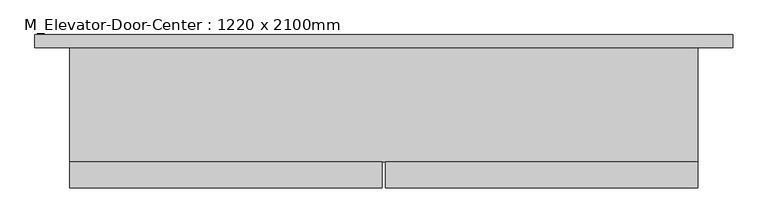
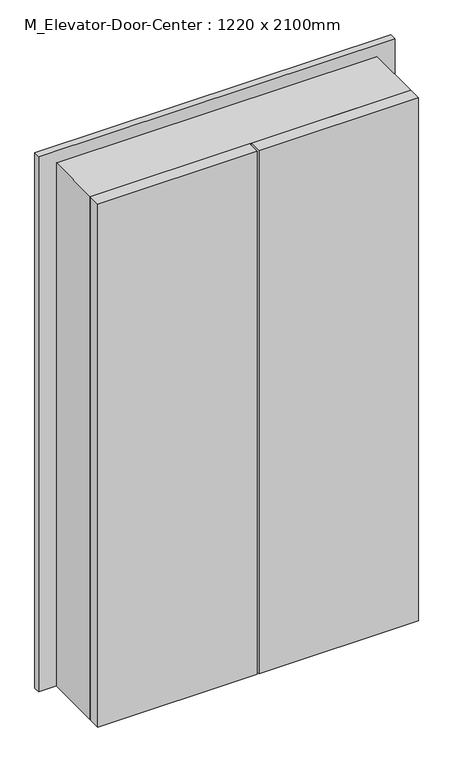
"""IFC4 building model written with IfcOpenShell, lengths in millimetres: proxy geometry, M_Elevator-Door-Center : 1220 x 2100mm."""

from ifc_helpers import new_model, si_unit, frame, origin, origin_with_axes, place, context, project, spatial, polyline, outline, extrude, source, transform, mapped, element, save


def m_elevator_door_center_1220_x_2100mm_93f20b08(model_context):
    return source(origin(), model_context, "Body", "SweptSolid", [
        extrude(outline(polyline([(-102.3106443, -112.5), (-102.3106443, -163.3), (-715.4856443, -163.3), (-715.4856443, -112.5), (-102.3106443, -112.5)])), origin_with_axes(), (0.0, 0.0, 1.0), 2125.4),
        extrude(outline(polyline([(517.2143557, -112.5), (517.2143557, -163.3), (-95.9606443, -163.3), (-95.9606443, -112.5), (517.2143557, -112.5)])), origin_with_axes(), (0.0, 0.0, 1.0), 2125.4),
        extrude(outline(polyline([(0.0, -715.4856443), (0.0, -709.1356443), (2100.0, -709.1356443), (2100.0, 510.8643557), (0.0, 510.8643557), (0.0, 517.2143557), (2125.4, 517.2143557), (2125.4, -715.4856443), (0.0, -715.4856443)])), frame((0.0, -112.5, 0.0), z_axis=(0.0, 1.0, 0.0), x_axis=(0.0, 0.0, 1.0)), (0.0, 0.0, 1.0), 225.0),
        extrude(outline(polyline([(0.0, -784.1356443), (0.0, -709.1356443), (2100.0, -709.1356443), (2100.0, 510.8643557), (0.0, 510.8643557), (0.0, 585.8643557), (2175.0, 585.8643557), (2175.0, -784.1356443), (0.0, -784.1356443)])), frame((0.0, 112.5, 0.0), z_axis=(0.0, 1.0, 0.0), x_axis=(0.0, 0.0, 1.0)), (0.0, 0.0, 1.0), 25.0),
    ])


if __name__ == "__main__":
    model = new_model("IFC4")
    model_context = context("Model", 3, world=origin())
    ifc_project = project(units=[si_unit("LENGTHUNIT", "METRE", prefix="MILLI")], contexts=[model_context])
    site = spatial("IfcSite", under=ifc_project)
    building = spatial("IfcBuilding", under=site)
    placement = place(None, origin())
    m_elevator_door_center_1220_x_2100mm_shape = m_elevator_door_center_1220_x_2100mm_93f20b08(model_context)
    element("IfcBuildingElementProxy", 1, Name="M_Elevator-Door-Center : 1220 x 2100mm", ObjectType="M_Elevator-Door-Center : 1220 x 2100mm", at=placement, inside=building, context=model_context, shape_type="MappedRepresentation", body=[
        mapped(m_elevator_door_center_1220_x_2100mm_shape, transform((0.0, 0.0, 0.0), x_axis=(1.0, 0.0, 0.0), y_axis=(0.0, 1.0, 0.0), z_axis=(0.0, 0.0, 1.0))),
    ])
    save(model, "model.ifc")
